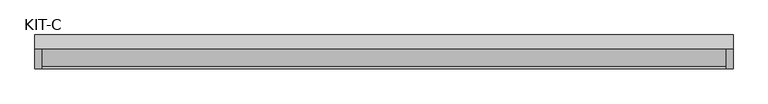
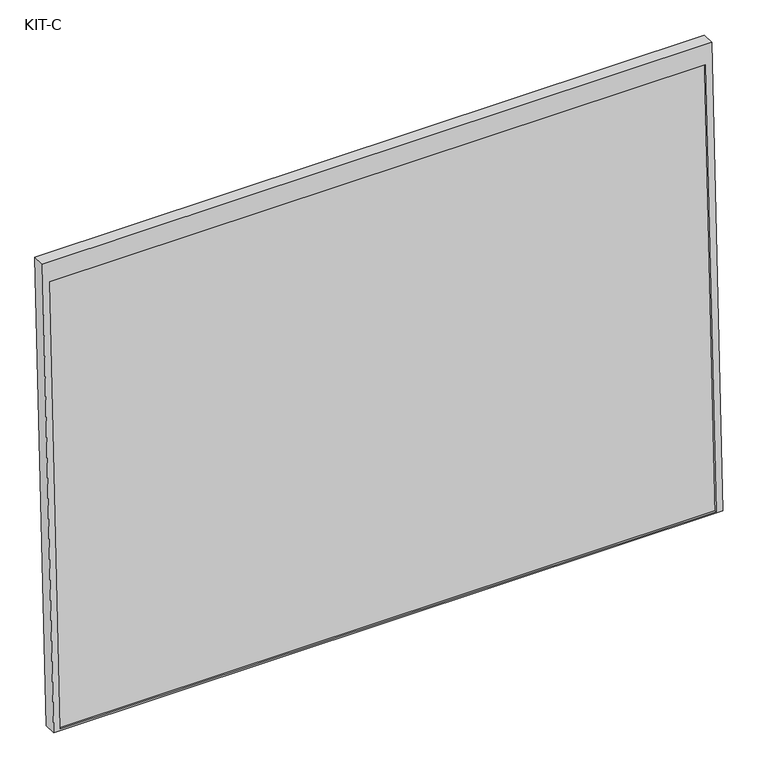
"""IFC4 building model written with IfcOpenShell, lengths in millimetres: plate geometry, KIT-C."""

from ifc_helpers import new_model, si_unit, frame, origin, place, context, project, spatial, polyline, outline, extrude, source, transform, mapped, element, save


def kit_c_92d87c5b(model_context):
    return source(origin(), model_context, "Body", "SweptSolid", [
        extrude(outline(polyline([(0.0, 0.0), (0.0, -1791.0), (-1295.0, -1791.0), (-1295.0, 0.0), (0.0, 0.0)]), holes=[polyline([(-55.0, -18.5), (-1291.0441175, -18.5), (-1291.0441175, -1772.5), (-55.0, -1772.5), (-55.0, -18.5)])]), frame((-895.5, 14.1182157, 1239.8554685), z_axis=(0.0, -0.9992101801000246, 0.039736834102334216), x_axis=(0.0, 0.039736834102334216, 0.9992101801000246)), (0.0, 0.0, 1.0), 35.0),
        extrude(outline(polyline([(0.0, -1754.0), (0.0, 0.0), (27.4505713, 0.0), (27.4505713, -1754.0), (0.0, -1754.0)])), frame((-877.0, -67.1600957, -48.9768517), z_axis=(0.0, 0.03973683410233642, 0.9992101801000245), x_axis=(0.0, 0.9992101801000245, -0.03973683410233642)), (0.0, 0.0, 1.0), 1236.0441176),
    ])


if __name__ == "__main__":
    model = new_model("IFC4")
    model_context = context("Model", 3, world=origin())
    ifc_project = project(units=[si_unit("LENGTHUNIT", "METRE", prefix="MILLI")], contexts=[model_context])
    site = spatial("IfcSite", under=ifc_project)
    building = spatial("IfcBuilding", under=site)
    placement = place(None, origin())
    kit_c_shape = kit_c_92d87c5b(model_context)
    element("IfcPlate", 1, ObjectType="KIT-C", at=placement, inside=building, context=model_context, shape_type="MappedRepresentation", body=[
        mapped(kit_c_shape, transform((0.0, 0.0, 0.0), x_axis=(1.0, 0.0, 0.0), y_axis=(0.0, 1.0, 0.0), z_axis=(0.0, 0.0, 1.0))),
    ])
    save(model, "model.ifc")
